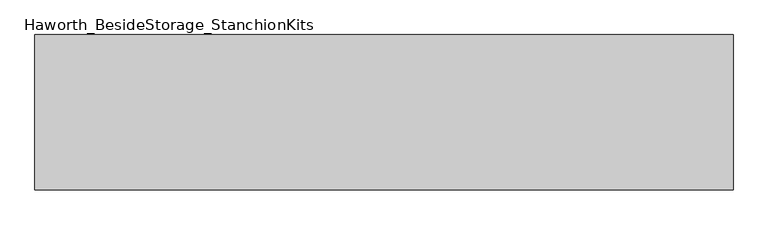
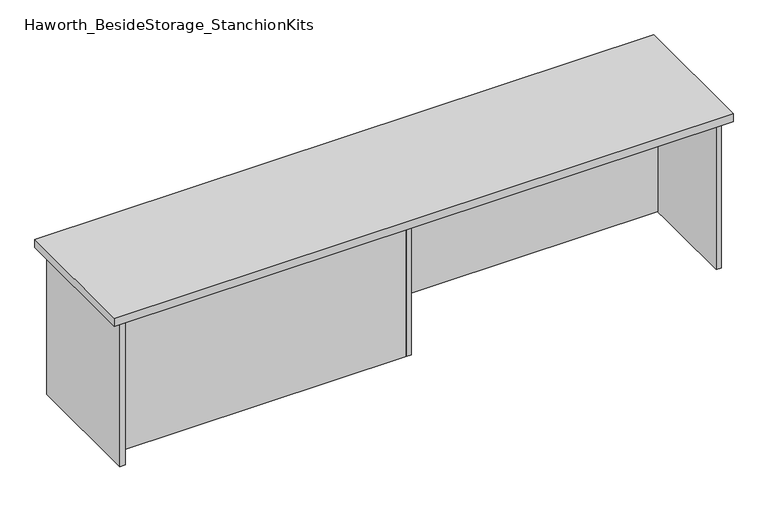
"""IFC4 building model written with IfcOpenShell, lengths in millimetres: furniture geometry, Haworth_BesideStorage_StanchionKits."""

from ifc_helpers import new_model, si_unit, frame, origin, place, context, project, spatial, polyline, outline, extrude, source, transform, mapped, element, save


def haworth_besidestorage_stanchionkits_187a2a5b(model_context):
    return source(origin(), model_context, "Body", "SweptSolid", [
        extrude(outline(polyline([(1076.325, 0.0), (1076.325, -406.4), (-752.475, -406.4), (-752.475, 0.0), (1076.325, 0.0)])), frame((0.0, 0.0, 889.0), z_axis=(0.0, 0.0, 1.0), x_axis=(1.0, 0.0, 0.0)), (0.0, 0.0, 1.0), 25.4),
        extrude(outline(polyline([(169.8625, -76.2), (1035.05, -76.2), (1035.05, -92.075), (169.8625, -92.075), (169.8625, -76.2)])), frame((0.0, 0.0, 431.8), z_axis=(0.0, 0.0, 1.0), x_axis=(1.0, 0.0, 0.0)), (0.0, 0.0, 1.0), 457.2),
        extrude(outline(polyline([(153.9875, -314.325), (153.9875, -330.2), (-711.2, -330.2), (-711.2, -314.325), (153.9875, -314.325)])), frame((0.0, 0.0, 431.8), z_axis=(0.0, 0.0, 1.0), x_axis=(1.0, 0.0, 0.0)), (0.0, 0.0, 1.0), 457.2),
        extrude(outline(polyline([(169.8625, -330.2), (153.9875, -330.2), (153.9875, -76.2), (169.8625, -76.2), (169.8625, -330.2)])), frame((0.0, 0.0, 431.8), z_axis=(0.0, 0.0, 1.0), x_axis=(1.0, 0.0, 0.0)), (0.0, 0.0, 1.0), 457.2),
        extrude(outline(polyline([(1050.925, -390.525), (1035.05, -390.525), (1035.05, -15.875), (1050.925, -15.875), (1050.925, -390.525)])), frame((0.0, 0.0, 431.8), z_axis=(0.0, 0.0, 1.0), x_axis=(1.0, 0.0, 0.0)), (0.0, 0.0, 1.0), 457.2),
        extrude(outline(polyline([(-711.2, -390.525), (-727.075, -390.525), (-727.075, -15.875), (-711.2, -15.875), (-711.2, -390.525)])), frame((0.0, 0.0, 431.8), z_axis=(0.0, 0.0, 1.0), x_axis=(1.0, 0.0, 0.0)), (0.0, 0.0, 1.0), 457.2),
    ])


if __name__ == "__main__":
    model = new_model("IFC4")
    model_context = context("Model", 3, world=origin())
    ifc_project = project(units=[si_unit("LENGTHUNIT", "METRE", prefix="MILLI")], contexts=[model_context])
    site = spatial("IfcSite", under=ifc_project)
    building = spatial("IfcBuilding", under=site)
    placement = place(None, origin())
    haworth_besidestorage_stanchionkits_shape = haworth_besidestorage_stanchionkits_187a2a5b(model_context)
    element("IfcFurniture", 1, ObjectType="Haworth_BesideStorage_StanchionKits", at=placement, inside=building, context=model_context, shape_type="MappedRepresentation", body=[
        mapped(haworth_besidestorage_stanchionkits_shape, transform((0.0, 0.0, 0.0), x_axis=(1.0, 0.0, 0.0), y_axis=(0.0, 1.0, 0.0), z_axis=(0.0, 0.0, 1.0))),
    ])
    save(model, "model.ifc")
